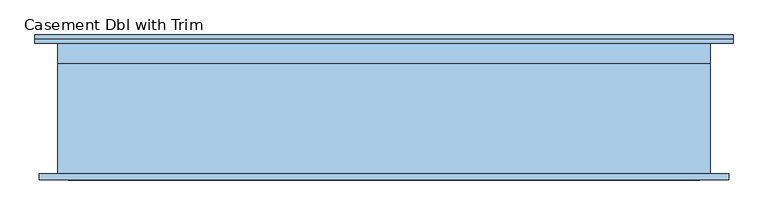
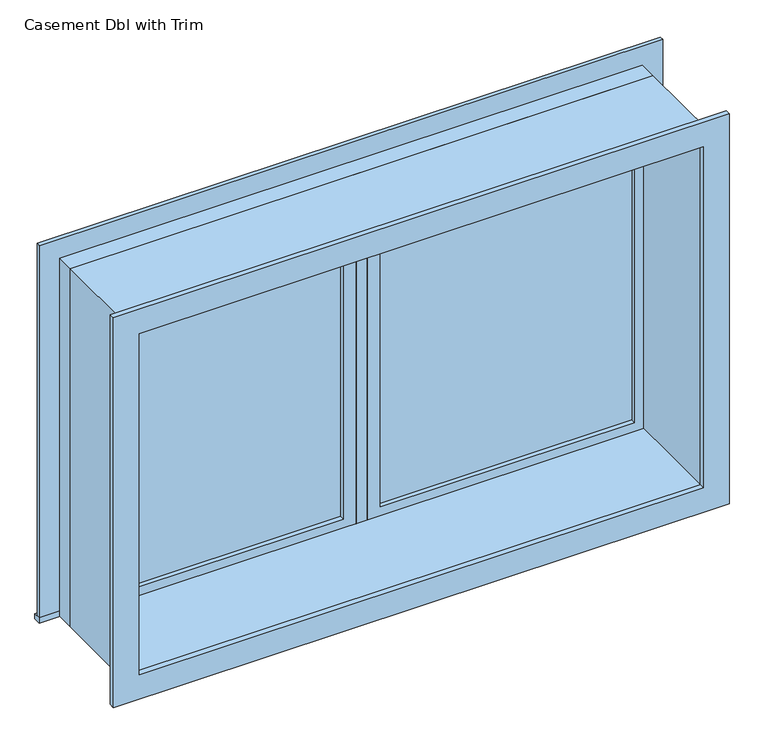
"""IFC4 building model written with IfcOpenShell, lengths in millimetres: window geometry, Casement Dbl with Trim."""

from ifc_helpers import new_model, si_unit, frame, origin, place, context, project, spatial, polyline, outline, extrude, source, transform, mapped, element, save


def casement_dbl_with_trim_dbd2f564(model_context):
    return source(origin(), model_context, "Body", "SweptSolid", [
        extrude(outline(polyline([(63.5, 184.125), (936.5, 184.125), (936.5, 171.425), (63.5, 171.425), (63.5, 184.125)])), frame((0.0, 0.0, 1363.5), z_axis=(0.0, 0.0, 1.0), x_axis=(1.0, 0.0, 0.0)), (0.0, 0.0, 1.0), 1173.0),
        extrude(outline(polyline([(2580.95, 19.05), (1319.05, 19.05), (1319.05, 980.95), (2580.95, 980.95), (2580.95, 19.05)]), holes=[polyline([(2536.5, 63.5), (2536.5, 936.5), (1363.5, 936.5), (1363.5, 63.5), (2536.5, 63.5)])]), frame((0.0, 155.55, 0.0), z_axis=(0.0, 1.0, 0.0), x_axis=(0.0, 0.0, 1.0)), (0.0, 0.0, 1.0), 44.45),
        extrude(outline(polyline([(19.05, 155.55), (-19.05, 155.55), (-19.05, 219.05), (19.05, 219.05), (19.05, 155.55)])), frame((0.0, 0.0, 1319.05), z_axis=(0.0, 0.0, 1.0), x_axis=(1.0, 0.0, 0.0)), (0.0, 0.0, 1.0), 1261.9),
        extrude(outline(polyline([(-1069.85, 244.45), (1069.85, 244.45), (1069.85, 219.05), (-1069.85, 219.05), (-1069.85, 244.45)])), frame((0.0, 0.0, 1300.0), z_axis=(0.0, 0.0, 1.0), x_axis=(1.0, 0.0, 0.0)), (0.0, 0.0, 1.0), 19.05),
        extrude(outline(polyline([(2580.95, -980.95), (2580.95, 980.95), (1319.05, 980.95), (1319.05, 1069.85), (2669.85, 1069.85), (2669.85, -1069.85), (1319.05, -1069.85), (1319.05, -980.95), (2580.95, -980.95)])), frame((0.0, 219.05, 0.0), z_axis=(0.0, 1.0, 0.0), x_axis=(0.0, 0.0, 1.0)), (0.0, 0.0, 1.0), 12.7),
        extrude(outline(polyline([(2657.15, 1057.15), (2657.15, -1057.15), (1242.85, -1057.15), (1242.85, 1057.15), (2657.15, 1057.15)]), holes=[polyline([(2568.25, 968.25), (1331.75, 968.25), (1331.75, -968.25), (2568.25, -968.25), (2568.25, 968.25)])]), frame((0.0, -200.0, 0.0), z_axis=(0.0, 1.0, 0.0), x_axis=(0.0, 0.0, 1.0)), (0.0, 0.0, 1.0), 19.05),
        extrude(outline(polyline([(-63.5, 171.425), (-936.5, 171.425), (-936.5, 184.125), (-63.5, 184.125), (-63.5, 171.425)])), frame((0.0, 0.0, 1363.5), z_axis=(0.0, 0.0, 1.0), x_axis=(1.0, 0.0, 0.0)), (0.0, 0.0, 1.0), 1173.0),
        extrude(outline(polyline([(2580.95, -980.95), (1319.05, -980.95), (1319.05, -19.05), (2580.95, -19.05), (2580.95, -980.95)]), holes=[polyline([(2536.5, -936.5), (2536.5, -63.5), (1363.5, -63.5), (1363.5, -936.5), (2536.5, -936.5)])]), frame((0.0, 155.55, 0.0), z_axis=(0.0, 1.0, 0.0), x_axis=(0.0, 0.0, 1.0)), (0.0, 0.0, 1.0), 44.45),
        extrude(outline(polyline([(2600.0, -1000.0), (1300.0, -1000.0), (1300.0, 1000.0), (2600.0, 1000.0), (2600.0, -1000.0)]), holes=[polyline([(2568.25, -968.25), (2568.25, 968.25), (1331.75, 968.25), (1331.75, -968.25), (2568.25, -968.25)])]), frame((0.0, -180.95, 0.0), z_axis=(0.0, 1.0, 0.0), x_axis=(0.0, 0.0, 1.0)), (0.0, 0.0, 1.0), 336.5),
        extrude(outline(polyline([(2600.0, 1000.0), (2600.0, -1000.0), (1300.0, -1000.0), (1300.0, 1000.0), (2600.0, 1000.0)]), holes=[polyline([(2580.95, 980.95), (1319.05, 980.95), (1319.05, -980.95), (2580.95, -980.95), (2580.95, 980.95)])]), frame((0.0, 155.55, 0.0), z_axis=(0.0, 1.0, 0.0), x_axis=(0.0, 0.0, 1.0)), (0.0, 0.0, 1.0), 63.5),
    ])


if __name__ == "__main__":
    model = new_model("IFC4")
    model_context = context("Model", 3, world=origin())
    ifc_project = project(units=[si_unit("LENGTHUNIT", "METRE", prefix="MILLI")], contexts=[model_context])
    site = spatial("IfcSite", under=ifc_project)
    building = spatial("IfcBuilding", under=site)
    placement = place(None, origin())
    casement_dbl_with_trim_shape = casement_dbl_with_trim_dbd2f564(model_context)
    element("IfcWindow", 1, ObjectType="Casement Dbl with Trim", at=placement, inside=building, context=model_context, shape_type="MappedRepresentation", body=[
        mapped(casement_dbl_with_trim_shape, transform((0.0, 0.0, 0.0), x_axis=(1.0, 0.0, 0.0), y_axis=(0.0, 1.0, 0.0), z_axis=(0.0, 0.0, 1.0))),
    ])
    save(model, "model.ifc")
